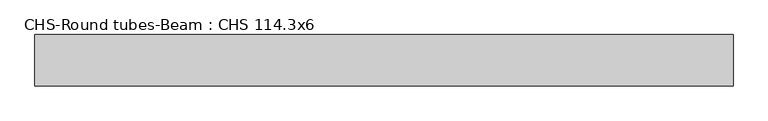
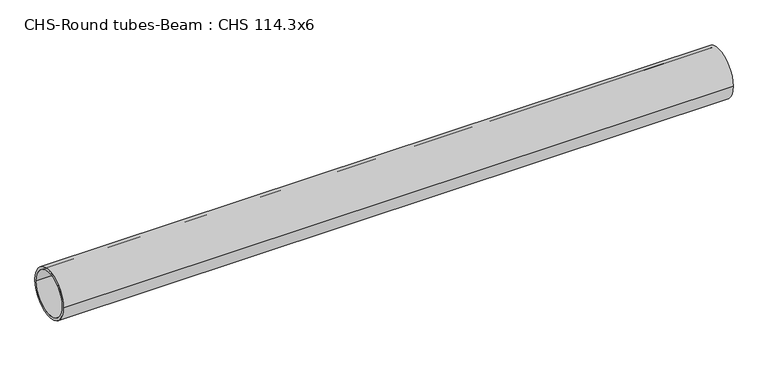
"""IFC4 building model written with IfcOpenShell, lengths in millimetres: beam geometry, CHS-Round tubes-Beam : CHS 114.3x6."""

from ifc_helpers import new_model, si_unit, point, frame, origin, origin_2d, place, context, project, spatial, circle_curve, trimmed, segment, composite_curve, outline, extrude, source, transform, mapped, element, save


def chs_round_tubes_beam_chs_114_3x6_5ed8461d(model_context):
    return source(origin(), model_context, "Body", "SweptSolid", [
        extrude(outline(composite_curve([segment(trimmed(circle_curve(origin_2d(), 57.15), [point((57.15, 0.0))], [point((-57.15, 0.0))], False, "CARTESIAN"), True, "CONTINUOUS"), segment(trimmed(circle_curve(origin_2d(), 57.15), [point((-57.15, 0.0))], [point((57.15, 0.0))], False, "CARTESIAN"), True, "CONTINUOUS")], self_intersect=False), holes=[composite_curve([segment(trimmed(circle_curve(origin_2d(), 51.15), [point((51.15, 0.0))], [point((-51.15, 0.0))], True, "CARTESIAN"), True, "CONTINUOUS"), segment(trimmed(circle_curve(origin_2d(), 51.15), [point((-51.15, 0.0))], [point((51.15, 0.0))], True, "CARTESIAN"), True, "CONTINUOUS")], self_intersect=False)]), frame((-751.615453, 0.0, 0.0), z_axis=(1.0, 0.0, 0.0), x_axis=(0.0, 1.0, 0.0)), (0.0, 0.0, 1.0), 1556.0574687),
    ])


if __name__ == "__main__":
    model = new_model("IFC4")
    model_context = context("Model", 3, world=origin())
    ifc_project = project(units=[si_unit("LENGTHUNIT", "METRE", prefix="MILLI")], contexts=[model_context])
    site = spatial("IfcSite", under=ifc_project)
    building = spatial("IfcBuilding", under=site)
    placement = place(None, origin())
    chs_round_tubes_beam_chs_114_3x6_shape = chs_round_tubes_beam_chs_114_3x6_5ed8461d(model_context)
    element("IfcBeam", 1, ObjectType="CHS-Round tubes-Beam : CHS 114.3x6", at=placement, inside=building, context=model_context, shape_type="MappedRepresentation", body=[
        mapped(chs_round_tubes_beam_chs_114_3x6_shape, transform((0.0, 0.0, 0.0), x_axis=(1.0, 0.0, 0.0), y_axis=(0.0, 1.0, 0.0), z_axis=(0.0, 0.0, 1.0))),
    ])
    save(model, "model.ifc")
